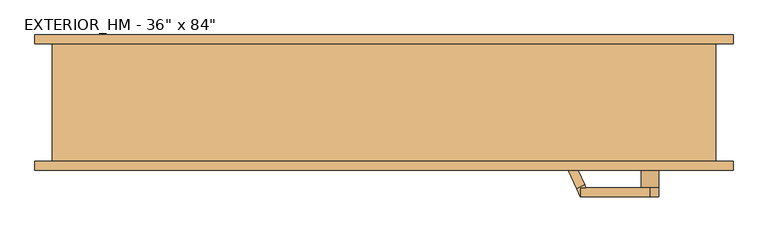
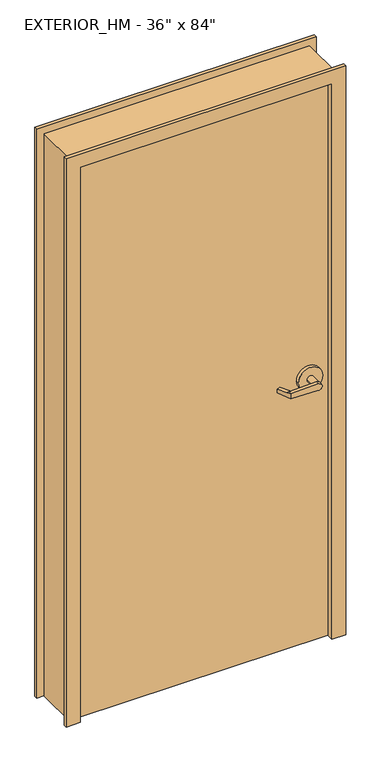
"""IFC4 building model written with IfcOpenShell, lengths in millimetres: door geometry."""

from ifc_helpers import new_model, si_unit, frame, origin, origin_with_axes, place, context, project, spatial, polyline, circle_curve, outline, extrude, faceted_brep, source, transform, mapped, element, save
from ifc_brep_helpers import plane_surface, cylinder_surface, advanced_brep


def door_98473c3a(model_context):
    return source(origin(), model_context, "Body", "SolidModel", [
        advanced_brep(
        [(291.892857, 18.0476392, 1006.475), (293.8407923, 22.225, 1006.475), (293.8407923, 22.225, 1025.525), (291.892857, 18.0476392, 1025.525), (275.7911012, -16.4826875, 1022.35), (275.7911012, -16.4826875, 1009.65), (285.75, 34.925, 1025.525), (285.75, 34.925, 1006.475), (280.3827481, 23.4148911, 1006.475), (264.2809923, -11.1154356, 1009.65), (264.2809923, -11.1154356, 1022.35), (280.3827481, 23.4148911, 1025.525), (285.75, 22.225, 1006.475), (285.75, 22.225, 1025.525), (386.9525418, 34.925, 1028.6937791), (386.9525418, 34.925, 1003.3062209), (386.9525418, 22.225, 1003.3062209), (374.65, 22.225, 1016.0), (386.9525418, 22.225, 1028.6937791), (400.05, 22.225, 1016.0), (374.65, -15.875, 1016.0), (400.05, -15.875, 1016.0), (431.8, -15.875, 1016.0), (342.9, -15.875, 1016.0), (431.8, -28.575, 1016.0), (342.9, -28.575, 1016.0)],
        [
            (0, 1),
            (1, 2),
            (2, 3),
            (3, 4),
            (4, 5),
            (5, 0),
            (6, 7),
            (7, 8),
            (8, 9),
            (9, 10),
            (10, 11),
            (11, 6),
            (7, 12),
            (12, 1),
            (0, 8),
            (5, 9),
            (4, 10),
            (3, 11),
            (2, 13),
            (13, 6),
            (6, 14),
            (14, 15, circle_curve(frame((387.35, 34.925, 1016.0), z_axis=(0.0, 1.0, 0.0), x_axis=(-1.0, 0.0, 0.0)), 12.7)),
            (15, 7),
            (12, 16),
            (16, 17, circle_curve(frame((387.35, 22.225, 1016.0), z_axis=(0.0, 1.0, 0.0), x_axis=(-1.0, 0.0, 0.0)), 12.7)),
            (17, 18, circle_curve(frame((387.35, 22.225, 1016.0), z_axis=(0.0, 1.0, 0.0), x_axis=(-1.0, 0.0, 0.0)), 12.7)),
            (18, 13),
            (15, 16),
            (14, 18),
            (18, 19, circle_curve(frame((387.35, 22.225, 1016.0), z_axis=(0.0, 1.0, 0.0), x_axis=(-1.0, 0.0, 0.0)), 12.7)),
            (19, 16, circle_curve(frame((387.35, 22.225, 1016.0), z_axis=(0.0, 1.0, 0.0), x_axis=(-1.0, 0.0, 0.0)), 12.7)),
            (17, 20),
            (20, 21, circle_curve(frame((387.35, -15.875, 1016.0), z_axis=(0.0, 1.0, 0.0), x_axis=(-1.0, 0.0, 0.0)), 12.7)),
            (21, 19),
            (21, 20, circle_curve(frame((387.35, -15.875, 1016.0), z_axis=(0.0, 1.0, 0.0), x_axis=(-1.0, 0.0, 0.0)), 12.7)),
            (22, 23, circle_curve(frame((387.35, -15.875, 1016.0), z_axis=(0.0, 1.0, 0.0), x_axis=(-1.0, 0.0, 0.0)), 44.45)),
            (23, 22, circle_curve(frame((387.35, -15.875, 1016.0), z_axis=(0.0, 1.0, 0.0), x_axis=(-1.0, 0.0, 0.0)), 44.45)),
            (24, 25, circle_curve(frame((387.35, -28.575, 1016.0), z_axis=(0.0, -1.0, 0.0), x_axis=(-1.0, 0.0, 0.0)), 44.45)),
            (25, 24, circle_curve(frame((387.35, -28.575, 1016.0), z_axis=(0.0, -1.0, 0.0), x_axis=(-1.0, 0.0, 0.0)), 44.45)),
            (23, 25),
            (24, 22),
        ],
        [
            plane_surface(frame((297.2601089, 29.5577481, 1006.475), z_axis=(0.9063077870366494, -0.4226182617407007, 0.0), x_axis=(0.0, 0.0, -1.0))),
            plane_surface(frame((285.75, 34.925, 1006.475), z_axis=(-0.9063077870366494, 0.4226182617407007, 0.0), x_axis=(0.0, 0.0, 1.0))),
            plane_surface(frame((297.2601089, 29.5577481, 1006.475), z_axis=(0.0, 0.0, -1.0000000000000002), x_axis=(-0.9063077870366494, 0.42261826174070094, 0.0))),
            plane_surface(frame((291.892857, 18.0476392, 1006.475), z_axis=(-0.035096536341209586, -0.07526476506963879, -0.9965457582448799), x_axis=(-0.9063077870366494, 0.42261826174070094, 0.0))),
            plane_surface(frame((275.7911012, -16.4826875, 1009.65), z_axis=(-0.42261826174070094, -0.9063077870366494, 0.0), x_axis=(-0.9063077870366494, 0.42261826174070094, 0.0))),
            plane_surface(frame((275.7911012, -16.4826875, 1022.35), z_axis=(-0.03509653634121044, -0.07526476506964089, 0.9965457582448796), x_axis=(-0.9063077870366495, 0.42261826174070033, 0.0))),
            plane_surface(frame((291.892857, 18.0476392, 1025.525), z_axis=(0.0, 0.0, 1.0000000000000002), x_axis=(-0.9063077870366494, 0.42261826174070094, 0.0))),
            plane_surface(frame((285.75, 34.925, 1006.475), z_axis=(0.0, 1.0, 0.0), x_axis=(0.9995101626549141, 0.0, -0.03129592225110647))),
            plane_surface(frame((285.75, 22.225, 1006.475), z_axis=(0.0, -1.0, 0.0), x_axis=(-0.9995101626549141, 0.0, 0.03129592225110647))),
            plane_surface(frame((285.75, 34.925, 1006.475), z_axis=(-0.03129592225110647, 0.0, -0.9995101626549141), x_axis=(0.0, -1.0, 0.0))),
            cylinder_surface(frame((387.35, 22.225, 1016.0), z_axis=(0.0, 1.0, 0.0), x_axis=(-1.0, 0.0, 0.0)), 12.7),
            plane_surface(frame((386.9525418, 34.925, 1028.6937791), z_axis=(-0.03129592225110282, 0.0, 0.9995101626549142), x_axis=(0.0, -1.0, 0.0))),
            cylinder_surface(frame((387.35, -15.875, 1016.0), z_axis=(0.0, 1.0, 0.0), x_axis=(-1.0, 0.0, 0.0)), 12.7),
            plane_surface(frame((342.9, -15.875, 1016.0), z_axis=(0.0, 1.0, 0.0), x_axis=(0.0, 0.0, -1.0))),
            plane_surface(frame((342.9, -28.575, 1016.0), z_axis=(0.0, -1.0, 0.0), x_axis=(0.0, 0.0, 1.0))),
            cylinder_surface(frame((387.35, -28.575, 1016.0), z_axis=(0.0, 1.0, 0.0), x_axis=(-1.0, 0.0, 0.0)), 44.45),
        ],
        [
            (0, [[1, 2, 3, 4, 5, 6]]),
            (1, [[7, 8, 9, 10, 11, 12]]),
            (2, [[13, 14, -1, 15, -8]]),
            (3, [[16, -9, -15, -6]]),
            (4, [[17, -10, -16, -5]]),
            (5, [[18, -11, -17, -4]]),
            (6, [[-18, -3, 19, 20, -12]]),
            (7, [[-7, 21, 22, 23]]),
            (8, [[-19, -2, -14, 24, 25, 26, 27]]),
            (9, [[28, -24, -13, -23]]),
            (10, [[29, 30, 31, -28, -22]]),
            (11, [[-20, -27, -29, -21]]),
            (12, [[-30, -26, 32, 33, 34]]),
            (12, [[35, -32, -25, -31, -34]]),
            (13, [[36, 37], [-35, -33]]),
            (14, [[38, 39]]),
            (15, [[40, -38, 41, -37]]),
            (15, [[-41, -39, -40, -36]]),
        ],
    ),
        advanced_brep(
        [(291.892857, -119.6476392, 1025.525), (293.8407923, -123.825, 1025.525), (293.8407923, -123.825, 1006.475), (291.892857, -119.6476392, 1006.475), (275.7911012, -85.1173125, 1009.65), (275.7911012, -85.1173125, 1022.35), (285.75, -136.525, 1006.475), (285.75, -136.525, 1025.525), (280.3827481, -125.0148911, 1025.525), (264.2809923, -90.4845644, 1022.35), (264.2809923, -90.4845644, 1009.65), (280.3827481, -125.0148911, 1006.475), (285.75, -123.825, 1025.525), (285.75, -123.825, 1006.475), (386.9525418, -136.525, 1003.3062209), (386.9525418, -136.525, 1028.6937791), (386.9525418, -123.825, 1028.6937791), (374.65, -123.825, 1016.0), (386.9525418, -123.825, 1003.3062209), (400.05, -123.825, 1016.0), (374.65, -85.725, 1016.0), (400.05, -85.725, 1016.0), (431.8, -85.725, 1016.0), (342.9, -85.725, 1016.0), (431.8, -73.025, 1016.0), (342.9, -73.025, 1016.0)],
        [
            (0, 1),
            (1, 2),
            (2, 3),
            (3, 4),
            (4, 5),
            (5, 0),
            (6, 7),
            (7, 8),
            (8, 9),
            (9, 10),
            (10, 11),
            (11, 6),
            (7, 12),
            (12, 1),
            (0, 8),
            (5, 9),
            (4, 10),
            (3, 11),
            (2, 13),
            (13, 6),
            (6, 14),
            (14, 15, circle_curve(frame((387.35, -136.525, 1016.0), z_axis=(0.0, -1.0, 0.0), x_axis=(-1.0, 0.0, 0.0)), 12.7)),
            (15, 7),
            (12, 16),
            (16, 17, circle_curve(frame((387.35, -123.825, 1016.0), z_axis=(0.0, -1.0, 0.0), x_axis=(-1.0, 0.0, 0.0)), 12.7)),
            (17, 18, circle_curve(frame((387.35, -123.825, 1016.0), z_axis=(0.0, -1.0, 0.0), x_axis=(-1.0, 0.0, 0.0)), 12.7)),
            (18, 13),
            (15, 16),
            (14, 18),
            (18, 19, circle_curve(frame((387.35, -123.825, 1016.0), z_axis=(0.0, -1.0, 0.0), x_axis=(-1.0, 0.0, 0.0)), 12.7)),
            (19, 16, circle_curve(frame((387.35, -123.825, 1016.0), z_axis=(0.0, -1.0, 0.0), x_axis=(-1.0, 0.0, 0.0)), 12.7)),
            (17, 20),
            (20, 21, circle_curve(frame((387.35, -85.725, 1016.0), z_axis=(0.0, -1.0, 0.0), x_axis=(-1.0, 0.0, 0.0)), 12.7)),
            (21, 19),
            (21, 20, circle_curve(frame((387.35, -85.725, 1016.0), z_axis=(0.0, -1.0, 0.0), x_axis=(-1.0, 0.0, 0.0)), 12.7)),
            (22, 23, circle_curve(frame((387.35, -85.725, 1016.0), z_axis=(0.0, -1.0, 0.0), x_axis=(-1.0, 0.0, 0.0)), 44.45)),
            (23, 22, circle_curve(frame((387.35, -85.725, 1016.0), z_axis=(0.0, -1.0, 0.0), x_axis=(-1.0, 0.0, 0.0)), 44.45)),
            (24, 25, circle_curve(frame((387.35, -73.025, 1016.0), z_axis=(0.0, 1.0, 0.0), x_axis=(-1.0, 0.0, 0.0)), 44.45)),
            (25, 24, circle_curve(frame((387.35, -73.025, 1016.0), z_axis=(0.0, 1.0, 0.0), x_axis=(-1.0, 0.0, 0.0)), 44.45)),
            (23, 25),
            (24, 22),
        ],
        [
            plane_surface(frame((297.2601089, -131.1577481, 1025.525), z_axis=(0.9063077870366494, 0.4226182617407007, 0.0), x_axis=(0.0, 0.0, 1.0))),
            plane_surface(frame((285.75, -136.525, 1025.525), z_axis=(-0.9063077870366494, -0.4226182617407007, 0.0), x_axis=(0.0, 0.0, -1.0))),
            plane_surface(frame((297.2601089, -131.1577481, 1025.525), z_axis=(0.0, 0.0, 1.0000000000000002), x_axis=(-0.9063077870366494, -0.42261826174070094, 0.0))),
            plane_surface(frame((291.892857, -119.6476392, 1025.525), z_axis=(-0.03509653634120952, 0.07526476506963879, 0.9965457582448799), x_axis=(-0.9063077870366494, -0.42261826174070094, 0.0))),
            plane_surface(frame((275.7911012, -85.1173125, 1022.35), z_axis=(-0.42261826174070094, 0.9063077870366494, 0.0), x_axis=(-0.9063077870366494, -0.42261826174070094, 0.0))),
            plane_surface(frame((275.7911012, -85.1173125, 1009.65), z_axis=(-0.03509653634121051, 0.07526476506964089, -0.9965457582448796), x_axis=(-0.9063077870366495, -0.42261826174070033, 0.0))),
            plane_surface(frame((291.892857, -119.6476392, 1006.475), z_axis=(0.0, 0.0, -1.0000000000000002), x_axis=(-0.9063077870366494, -0.42261826174070094, 0.0))),
            plane_surface(frame((285.75, -136.525, 1025.525), z_axis=(0.0, -1.0, 0.0), x_axis=(0.9995101626549141, 0.0, 0.0312959222511064))),
            plane_surface(frame((285.75, -123.825, 1025.525), z_axis=(0.0, 1.0, 0.0), x_axis=(-0.9995101626549141, 0.0, -0.0312959222511064))),
            plane_surface(frame((285.75, -136.525, 1025.525), z_axis=(-0.0312959222511064, 0.0, 0.9995101626549141), x_axis=(0.0, 1.0, 0.0))),
            cylinder_surface(frame((387.35, -123.825, 1016.0), z_axis=(0.0, -1.0, 0.0), x_axis=(-1.0, 0.0, 0.0)), 12.7),
            plane_surface(frame((386.9525418, -136.525, 1003.3062209), z_axis=(-0.03129592225110289, 0.0, -0.9995101626549142), x_axis=(0.0, 1.0, 0.0))),
            cylinder_surface(frame((387.35, -85.725, 1016.0), z_axis=(0.0, -1.0, 0.0), x_axis=(-1.0, 0.0, 0.0)), 12.7),
            plane_surface(frame((342.9, -85.725, 1016.0), z_axis=(0.0, -1.0, 0.0), x_axis=(0.0, 0.0, 1.0))),
            plane_surface(frame((342.9, -73.025, 1016.0), z_axis=(0.0, 1.0, 0.0), x_axis=(0.0, 0.0, -1.0))),
            cylinder_surface(frame((387.35, -73.025, 1016.0), z_axis=(0.0, -1.0, 0.0), x_axis=(-1.0, 0.0, 0.0)), 44.45),
        ],
        [
            (0, [[1, 2, 3, 4, 5, 6]]),
            (1, [[7, 8, 9, 10, 11, 12]]),
            (2, [[13, 14, -1, 15, -8]]),
            (3, [[16, -9, -15, -6]]),
            (4, [[17, -10, -16, -5]]),
            (5, [[18, -11, -17, -4]]),
            (6, [[-18, -3, 19, 20, -12]]),
            (7, [[-7, 21, 22, 23]]),
            (8, [[-19, -2, -14, 24, 25, 26, 27]]),
            (9, [[28, -24, -13, -23]]),
            (10, [[29, 30, 31, -28, -22]]),
            (11, [[-20, -27, -29, -21]]),
            (12, [[-30, -26, 32, 33, 34]]),
            (12, [[35, -32, -25, -31, -34]]),
            (13, [[36, 37], [-35, -33]]),
            (14, [[38, 39]]),
            (15, [[40, -38, 41, -37]]),
            (15, [[-41, -39, -40, -36]]),
        ],
    ),
        extrude(outline(polyline([(-457.2, -73.025), (-457.2, -28.575), (457.2, -28.575), (457.2, -73.025), (-457.2, -73.025)])), origin_with_axes(), (0.0, 0.0, 1.0), 2133.6),
        faceted_brep([(-457.2, -98.425, 0.0), (-508.0, -98.425, 0.0), (-508.0, -85.725, 0.0), (-482.6, -85.725, 0.0), (-482.6, 85.725, 0.0), (-508.0, 85.725, 0.0), (-508.0, 98.425, 0.0), (-457.2, 98.425, 0.0), (-457.2, 25.2662566, 0.0), (-441.325, 25.2662566, 0.0), (-441.325, -25.2662566, 0.0), (-457.2, -25.2662566, 0.0), (-457.2, -25.2662566, 2133.6), (-457.2, -98.425, 2133.6), (-441.325, -25.2662566, 2117.725), (441.325, -25.2662566, 2117.725), (441.325, -25.2662566, 0.0), (457.2, -25.2662566, 0.0), (457.2, -25.2662566, 2133.6), (-441.325, 25.2662566, 2117.725), (-457.2, 25.2662566, 2133.6), (457.2, 25.2662566, 2133.6), (457.2, 25.2662566, 0.0), (441.325, 25.2662566, 0.0), (441.325, 25.2662566, 2117.725), (-457.2, 98.425, 2133.6), (-508.0, 98.425, 2184.4), (508.0, 98.425, 2184.4), (508.0, 98.425, 0.0), (457.2, 98.425, 0.0), (457.2, 98.425, 2133.6), (-508.0, 85.725, 2184.4), (-482.6, 85.725, 2159.0), (482.6, 85.725, 2159.0), (482.6, 85.725, 0.0), (508.0, 85.725, 0.0), (508.0, 85.725, 2184.4), (-482.6, -85.725, 2159.0), (-508.0, -85.725, 2184.4), (508.0, -85.725, 2184.4), (508.0, -85.725, 0.0), (482.6, -85.725, 0.0), (482.6, -85.725, 2159.0), (-508.0, -98.425, 2184.4), (457.2, -98.425, 2133.6), (457.2, -98.425, 0.0), (508.0, -98.425, 0.0), (508.0, -98.425, 2184.4)], [[[0, 1, 2, 3, 4, 5, 6, 7, 8, 9, 10, 11]], [[11, 12, 13, 0]], [[10, 14, 15, 16, 17, 18, 12, 11]], [[9, 19, 14, 10]], [[8, 20, 21, 22, 23, 24, 19, 9]], [[7, 25, 20, 8]], [[6, 26, 27, 28, 29, 30, 25, 7]], [[5, 31, 26, 6]], [[4, 32, 33, 34, 35, 36, 31, 5]], [[3, 37, 32, 4]], [[2, 38, 39, 40, 41, 42, 37, 3]], [[1, 43, 38, 2]], [[0, 13, 44, 45, 46, 47, 43, 1]], [[18, 17, 45, 44]], [[45, 17, 16, 23, 22, 29, 28, 35, 34, 41, 40, 46]], [[24, 23, 16, 15]], [[30, 29, 22, 21]], [[36, 35, 28, 27]], [[42, 41, 34, 33]], [[47, 46, 40, 39]], [[12, 18, 44, 13]], [[19, 24, 15, 14]], [[25, 30, 21, 20]], [[31, 36, 27, 26]], [[37, 42, 33, 32]], [[43, 47, 39, 38]]]),
    ])


if __name__ == "__main__":
    model = new_model("IFC4")
    model_context = context("Model", 3, world=origin())
    ifc_project = project(units=[si_unit("LENGTHUNIT", "METRE", prefix="MILLI")], contexts=[model_context])
    site = spatial("IfcSite", under=ifc_project)
    building = spatial("IfcBuilding", under=site)
    placement = place(None, origin())
    door_shape = door_98473c3a(model_context)
    element("IfcDoor", 1, ObjectType="EXTERIOR_HM - 36\" x 84\"", at=placement, inside=building, context=model_context, shape_type="MappedRepresentation", body=[
        mapped(door_shape, transform((0.0, 0.0, 0.0), x_axis=(1.0, 0.0, 0.0), y_axis=(0.0, 1.0, 0.0), z_axis=(0.0, 0.0, 1.0))),
    ])
    save(model, "model.ifc")
